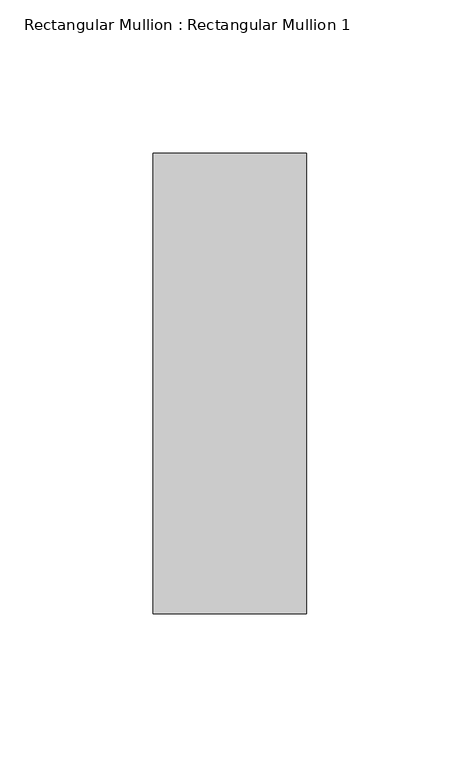
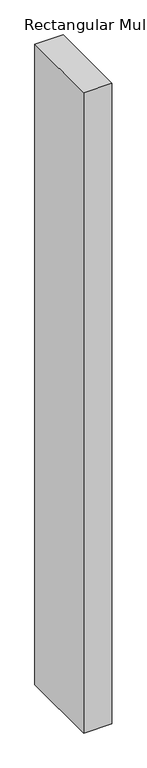
"""IFC4 building model written with IfcOpenShell, lengths in millimetres: member geometry, Rectangular Mullion : Rectangular Mullion 1."""

from ifc_helpers import new_model, si_unit, frame, origin, place, context, project, spatial, polyline, outline, extrude, source, transform, mapped, element, save


def rectangular_mullion_rectangular_mullion_1_6588f46c(model_context):
    return source(origin(), model_context, "Body", "SweptSolid", [
        extrude(outline(polyline([(0.0, 75.0), (0.0, -75.0), (-50.0, -75.0), (-50.0, 75.0), (0.0, 75.0)])), frame((0.0, 0.0, -1200.0), z_axis=(0.0, 0.0, 1.0), x_axis=(1.0, 0.0, 0.0)), (0.0, 0.0, 1.0), 1200.0),
    ])


if __name__ == "__main__":
    model = new_model("IFC4")
    model_context = context("Model", 3, world=origin())
    ifc_project = project(units=[si_unit("LENGTHUNIT", "METRE", prefix="MILLI")], contexts=[model_context])
    site = spatial("IfcSite", under=ifc_project)
    building = spatial("IfcBuilding", under=site)
    placement = place(None, origin())
    rectangular_mullion_rectangular_mullion_1_shape = rectangular_mullion_rectangular_mullion_1_6588f46c(model_context)
    element("IfcMember", 1, ObjectType="Rectangular Mullion : Rectangular Mullion 1", at=placement, inside=building, context=model_context, shape_type="MappedRepresentation", body=[
        mapped(rectangular_mullion_rectangular_mullion_1_shape, transform((0.0, 0.0, 0.0), x_axis=(1.0, 0.0, 0.0), y_axis=(0.0, 1.0, 0.0), z_axis=(0.0, 0.0, 1.0))),
    ])
    save(model, "model.ifc")
